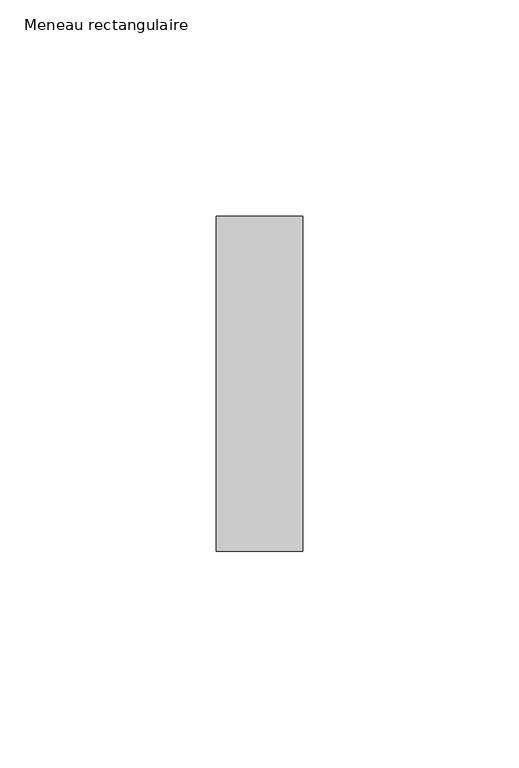
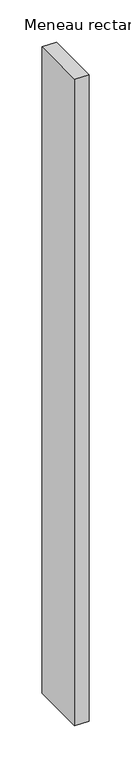
"""IFC4 building model written with IfcOpenShell, lengths in millimetres: member geometry, Meneau rectangulaire."""

from ifc_helpers import new_model, si_unit, frame, origin, place, context, project, spatial, polyline, outline, extrude, source, transform, mapped, element, save


def meneau_rectangulaire_baa396b8(model_context):
    return source(origin(), model_context, "Body", "SweptSolid", [
        extrude(outline(polyline([(0.0, 38.75), (0.0, -38.75), (-20.0, -38.75), (-20.0, 38.75), (0.0, 38.75)])), frame((0.0, 0.0, -937.0873828), z_axis=(0.0, 0.0, 1.0), x_axis=(1.0, 0.0, 0.0)), (0.0, 0.0, 1.0), 937.0873828),
    ])


if __name__ == "__main__":
    model = new_model("IFC4")
    model_context = context("Model", 3, world=origin())
    ifc_project = project(units=[si_unit("LENGTHUNIT", "METRE", prefix="MILLI")], contexts=[model_context])
    site = spatial("IfcSite", under=ifc_project)
    building = spatial("IfcBuilding", under=site)
    placement = place(None, origin())
    meneau_rectangulaire_shape = meneau_rectangulaire_baa396b8(model_context)
    element("IfcMember", 1, ObjectType="Meneau rectangulaire", at=placement, inside=building, context=model_context, shape_type="MappedRepresentation", body=[
        mapped(meneau_rectangulaire_shape, transform((0.0, 0.0, 0.0), x_axis=(1.0, 0.0, 0.0), y_axis=(0.0, 1.0, 0.0), z_axis=(0.0, 0.0, 1.0))),
    ])
    save(model, "model.ifc")
